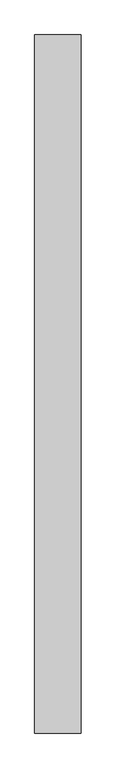
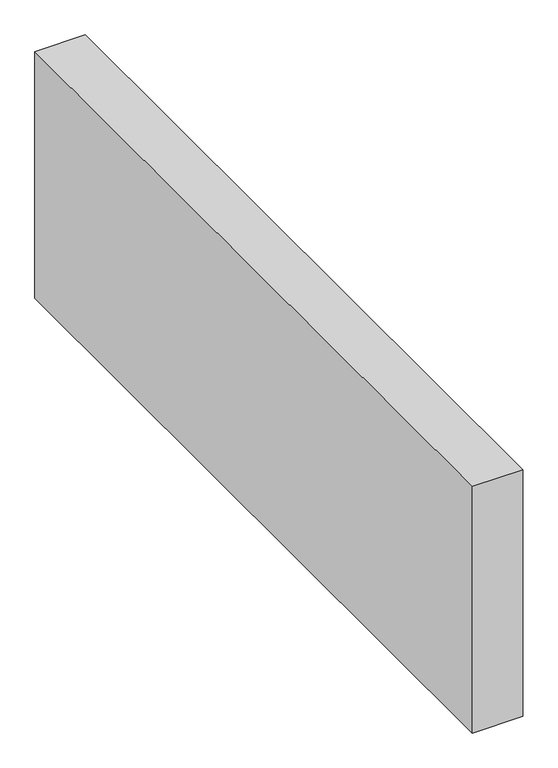
"""IFC4 building model written with IfcOpenShell, lengths in millimetres: proxy geometry."""

from ifc_helpers import new_model, si_unit, origin, origin_with_axes, place, context, project, spatial, polyline, outline, extrude, source, transform, mapped, element, save


def generic_models_494f5df4(model_context):
    return source(origin(), model_context, "Body", "SweptSolid", [
        extrude(outline(polyline([(150.0, 2254.8724415), (150.0, 0.0), (0.0, 0.0), (0.0, 2254.8724415), (150.0, 2254.8724415)])), origin_with_axes(), (0.0, 0.0, 1.0), 776.6553396),
    ])


if __name__ == "__main__":
    model = new_model("IFC4")
    model_context = context("Model", 3, world=origin())
    ifc_project = project(units=[si_unit("LENGTHUNIT", "METRE", prefix="MILLI")], contexts=[model_context])
    site = spatial("IfcSite", under=ifc_project)
    building = spatial("IfcBuilding", under=site)
    placement = place(None, origin())
    generic_models_shape = generic_models_494f5df4(model_context)
    element("IfcBuildingElementProxy", 1, Name="Generic Models", at=placement, inside=building, context=model_context, shape_type="MappedRepresentation", body=[
        mapped(generic_models_shape, transform((0.0, 0.0, 0.0), x_axis=(1.0, 0.0, 0.0), y_axis=(0.0, 1.0, 0.0), z_axis=(0.0, 0.0, 1.0))),
    ])
    save(model, "model.ifc")
